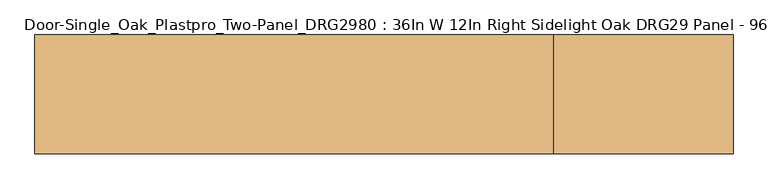
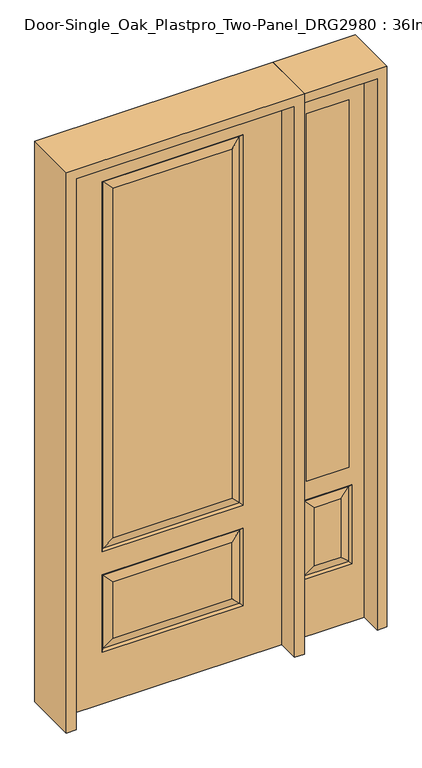
"""IFC4 building model written with IfcOpenShell, lengths in millimetres: door geometry, Door-Single_Oak_Plastpro_Two-Panel_DRG2980 : 36In W 12In Right Sidelight Oak DRG29 Panel - 96In."""

from ifc_helpers import new_model, si_unit, frame, origin, place, context, project, spatial, polyline, outline, extrude, faceted_brep, source, transform, mapped, element, save


def door_single_oak_plastpro_two_panel_drg2980_36in_w_12in_right_36c98de4(model_context):
    return source(origin(), model_context, "Body", "SolidModel", [
        faceted_brep([(-286.1796986, -11.6572439, 562.4046986), (-249.1224548, -20.6375, 525.3474548), (249.1224548, -20.6375, 525.3474548), (286.1796986, -11.6572439, 562.4046986), (249.1224548, -20.6375, 274.7525452), (286.1796986, -11.6572439, 237.6953014), (457.2, 20.6375, 0.0), (457.2, -20.6375, 0.0), (-457.2, -20.6375, 0.0), (-457.2, 20.6375, 0.0), (457.2, 20.6375, 2438.4), (457.2, -20.6375, 2438.4), (-249.1224548, -20.6375, 719.2525452), (249.1224548, -20.6375, 719.2525452), (249.1224548, -20.6375, 2265.2474548), (-249.1224548, -20.6375, 2265.2474548), (-457.2, -20.6375, 2438.4), (295.1599548, -20.6375, 673.2150452), (-295.1599548, -20.6375, 673.2150452), (-295.1599548, -20.6375, 2311.2849548), (295.1599548, -20.6375, 2311.2849548), (295.1599548, -20.6375, 228.7150452), (-295.1599548, -20.6375, 228.7150452), (-295.1599548, -20.6375, 571.3849548), (295.1599548, -20.6375, 571.3849548), (-249.1224548, -20.6375, 274.7525452), (-249.1224548, 20.6375, 274.7525452), (-286.1796986, 11.6572439, 237.6953014), (-286.1796986, 11.6572439, 562.4046986), (-249.1224548, 20.6375, 525.3474548), (-295.1599548, 20.6375, 228.7150452), (-295.1599548, 20.6375, 571.3849548), (286.1796986, 11.6572439, 237.6953014), (249.1224548, 20.6375, 274.7525452), (249.1224548, 20.6375, 525.3474548), (286.1796986, 11.6572439, 562.4046986), (286.1796986, 11.6572439, 682.1953014), (-286.1796986, 11.6572439, 682.1953014), (-249.1224548, 20.6375, 719.2525452), (249.1224548, 20.6375, 719.2525452), (-286.1796986, 11.6572439, 2302.3046986), (-249.1224548, 20.6375, 2265.2474548), (295.1599548, 20.6375, 571.3849548), (-286.1796986, -11.6572439, 237.6953014), (-457.2, 20.6375, 2438.4), (295.1599548, 20.6375, 228.7150452), (-295.1599548, 20.6375, 673.2150452), (295.1599548, 20.6375, 673.2150452), (295.1599548, 20.6375, 2311.2849548), (-295.1599548, 20.6375, 2311.2849548), (249.1224548, 20.6375, 2265.2474548), (286.1796986, 11.6572439, 2302.3046986), (286.1796986, -11.6572439, 682.1953014), (-286.1796986, -11.6572439, 682.1953014), (-286.1796986, -11.6572439, 2302.3046986), (286.1796986, -11.6572439, 2302.3046986)], [[[0, 1, 2, 3]], [[4, 5, 3, 2]], [[6, 7, 8, 9]], [[10, 11, 7, 6]], [[12, 13, 14, 15]], [[11, 16, 8, 7], [17, 18, 19, 20], [21, 22, 23, 24]], [[25, 4, 2, 1]], [[26, 27, 28, 29]], [[27, 30, 31, 28]], [[32, 33, 34, 35]], [[36, 37, 38, 39]], [[38, 37, 40, 41]], [[28, 31, 42, 35]], [[22, 43, 0, 23]], [[23, 0, 3, 24]], [[16, 44, 9, 8]], [[33, 26, 29, 34]], [[44, 10, 6, 9], [30, 45, 42, 31], [46, 47, 48, 49]], [[39, 38, 41, 50]], [[10, 44, 16, 11]], [[47, 36, 51, 48]], [[27, 32, 45, 30]], [[36, 39, 50, 51]], [[45, 32, 35, 42]], [[37, 36, 47, 46]], [[37, 46, 49, 40]], [[32, 27, 26, 33]], [[29, 28, 35, 34]], [[52, 53, 18, 17]], [[18, 53, 54, 19]], [[52, 17, 20, 55]], [[53, 52, 13, 12]], [[13, 52, 55, 14]], [[53, 12, 15, 54]], [[5, 43, 22, 21]], [[5, 21, 24, 3]], [[43, 5, 4, 25]], [[43, 25, 1, 0]], [[19, 54, 55, 20]], [[54, 15, 14, 55]], [[41, 40, 51, 50]], [[40, 49, 48, 51]]]),
        extrude(outline(polyline([(739.775, -20.6375), (561.975, -20.6375), (561.975, 20.6375), (739.775, 20.6375), (739.775, -20.6375)])), frame((0.0, 0.0, 685.8), z_axis=(0.0, 0.0, 1.0), x_axis=(1.0, 0.0, 0.0)), (0.0, 0.0, 1.0), 1625.6),
        faceted_brep([(739.775, -20.6375, 2311.4), (561.975, -20.6375, 2311.4), (561.975, 20.6375, 2311.4), (739.775, 20.6375, 2311.4), (706.3224548, -20.6375, 557.0974548), (595.4275452, -20.6375, 557.0974548), (595.4275452, -20.6375, 300.1525452), (706.3224548, -20.6375, 300.1525452), (498.475, -20.6375, 2438.4), (498.475, -20.6375, 0.0), (803.275, -20.6375, 0.0), (803.275, -20.6375, 2438.4), (739.775, -20.6375, 685.8), (561.975, -20.6375, 685.8), (752.3599548, -20.6375, 254.1150452), (549.3900452, -20.6375, 254.1150452), (549.3900452, -20.6375, 603.1349548), (752.3599548, -20.6375, 603.1349548), (743.3796986, 11.6572439, 594.1546986), (752.3599548, 20.6375, 603.1349548), (752.3599548, 20.6375, 254.1150452), (743.3796986, 11.6572439, 263.0953014), (558.3703014, 11.6572439, 594.1546986), (549.3900452, 20.6375, 603.1349548), (706.3224548, 20.6375, 300.1525452), (706.3224548, 20.6375, 557.0974548), (739.775, 20.6375, 685.8), (561.975, 20.6375, 685.8), (558.3703014, -11.6572439, 263.0953014), (743.3796986, -11.6572439, 263.0953014), (558.3703014, -11.6572439, 594.1546986), (743.3796986, -11.6572439, 594.1546986), (498.475, 20.6375, 2438.4), (803.275, 20.6375, 2438.4), (498.475, 20.6375, 0.0), (803.275, 20.6375, 0.0), (549.3900452, 20.6375, 254.1150452), (595.4275452, 20.6375, 300.1525452), (595.4275452, 20.6375, 557.0974548), (558.3703014, 11.6572439, 263.0953014)], [[[0, 1, 2, 3]], [[4, 5, 6, 7]], [[8, 9, 10, 11], [0, 12, 13, 1], [14, 15, 16, 17]], [[18, 19, 20, 21]], [[18, 22, 23, 19]], [[21, 24, 25, 18]], [[26, 27, 13, 12]], [[7, 6, 28, 29]], [[6, 5, 30, 28]], [[29, 14, 17, 31]], [[32, 8, 11, 33]], [[34, 35, 10, 9]], [[32, 34, 9, 8]], [[11, 10, 35, 33]], [[33, 35, 34, 32], [19, 23, 36, 20], [2, 27, 26, 3]], [[24, 37, 38, 25]], [[20, 36, 39, 21]], [[36, 23, 22, 39]], [[25, 38, 22, 18]], [[39, 22, 38, 37]], [[21, 39, 37, 24]], [[3, 26, 12, 0]], [[1, 13, 27, 2]], [[31, 4, 7, 29]], [[31, 30, 5, 4]], [[17, 16, 30, 31]], [[28, 30, 16, 15]], [[29, 28, 15, 14]]]),
        extrude(outline(polyline([(2479.675, -498.475), (0.0, -498.475), (0.0, -457.2), (2438.4, -457.2), (2438.4, 457.2), (0.0, 457.2), (0.0, 498.475), (2479.675, 498.475), (2479.675, -498.475)])), frame((0.0, -114.3, 0.0), z_axis=(0.0, 1.0, 0.0), x_axis=(0.0, 0.0, 1.0)), (0.0, 0.0, 1.0), 228.6),
        extrude(outline(polyline([(0.0, 803.275), (0.0, 844.55), (2479.675, 844.55), (2479.675, 498.475), (2438.4, 498.475), (2438.4, 803.275), (0.0, 803.275)])), frame((0.0, -114.3, 0.0), z_axis=(0.0, 1.0, 0.0), x_axis=(0.0, 0.0, 1.0)), (0.0, 0.0, 1.0), 228.6),
    ])


if __name__ == "__main__":
    model = new_model("IFC4")
    model_context = context("Model", 3, world=origin())
    ifc_project = project(units=[si_unit("LENGTHUNIT", "METRE", prefix="MILLI")], contexts=[model_context])
    site = spatial("IfcSite", under=ifc_project)
    building = spatial("IfcBuilding", under=site)
    placement = place(None, origin())
    door_single_oak_plastpro_two_panel_drg2980_36in_w_12in_right_shape = door_single_oak_plastpro_two_panel_drg2980_36in_w_12in_right_36c98de4(model_context)
    element("IfcDoor", 1, ObjectType="Door-Single_Oak_Plastpro_Two-Panel_DRG2980 : 36In W 12In Right Sidelight Oak DRG29 Panel - 96In", at=placement, inside=building, context=model_context, shape_type="MappedRepresentation", body=[
        mapped(door_single_oak_plastpro_two_panel_drg2980_36in_w_12in_right_shape, transform((0.0, 0.0, 0.0), x_axis=(1.0, 0.0, 0.0), y_axis=(0.0, 1.0, 0.0), z_axis=(0.0, 0.0, 1.0))),
    ])
    save(model, "model.ifc")
